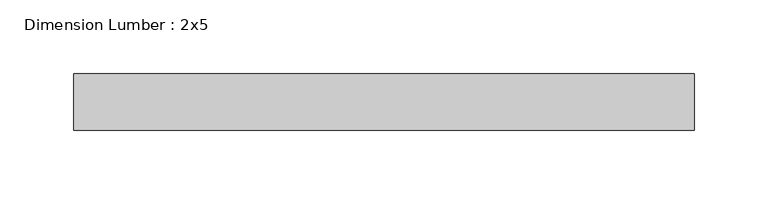
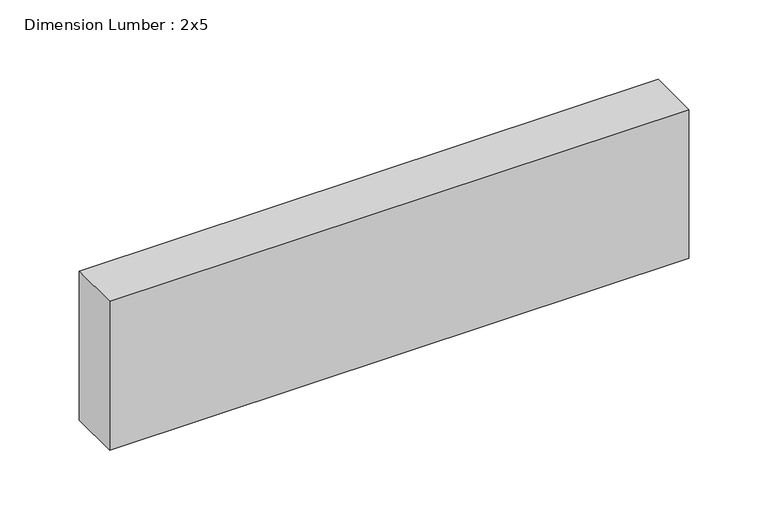
"""IFC4 building model written with IfcOpenShell, lengths in millimetres: beam geometry, Dimension Lumber : 2x5."""

from ifc_helpers import new_model, si_unit, frame, origin, place, context, project, spatial, polyline, outline, extrude, source, transform, mapped, element, save


def dimension_lumber_2x5_3a84bb66(model_context):
    return source(origin(), model_context, "Body", "SweptSolid", [
        extrude(outline(polyline([(210.1375819, 19.05), (210.1375819, -19.05), (-210.1375819, -19.05), (-210.1375819, 19.05), (210.1375819, 19.05)])), frame((0.0, 0.0, -57.15), z_axis=(0.0, 0.0, 1.0), x_axis=(1.0, 0.0, 0.0)), (0.0, 0.0, 1.0), 114.3),
    ])


if __name__ == "__main__":
    model = new_model("IFC4")
    model_context = context("Model", 3, world=origin())
    ifc_project = project(units=[si_unit("LENGTHUNIT", "METRE", prefix="MILLI")], contexts=[model_context])
    site = spatial("IfcSite", under=ifc_project)
    building = spatial("IfcBuilding", under=site)
    placement = place(None, origin())
    dimension_lumber_2x5_shape = dimension_lumber_2x5_3a84bb66(model_context)
    element("IfcBeam", 1, ObjectType="Dimension Lumber : 2x5", at=placement, inside=building, context=model_context, shape_type="MappedRepresentation", body=[
        mapped(dimension_lumber_2x5_shape, transform((0.0, 0.0, 0.0), x_axis=(1.0, 0.0, 0.0), y_axis=(0.0, 1.0, 0.0), z_axis=(0.0, 0.0, 1.0))),
    ])
    save(model, "model.ifc")
